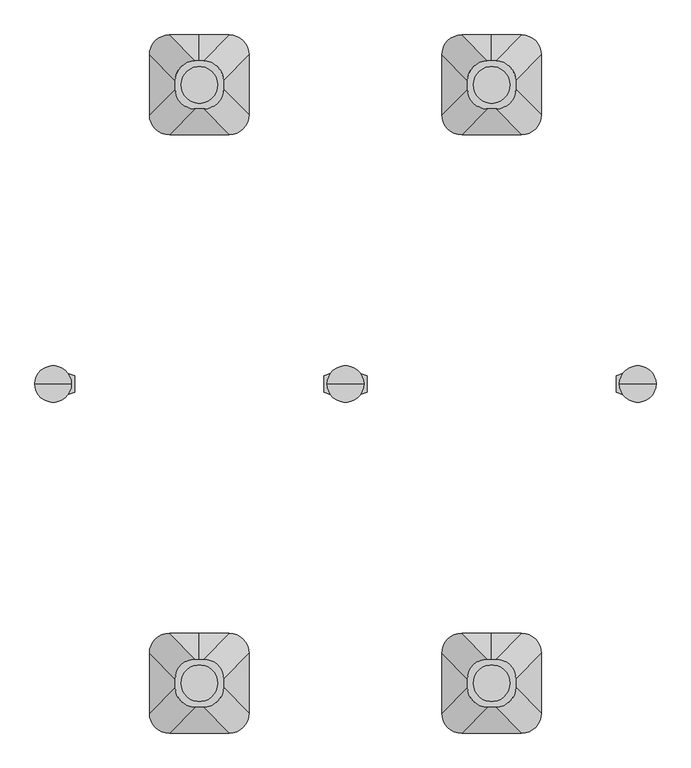
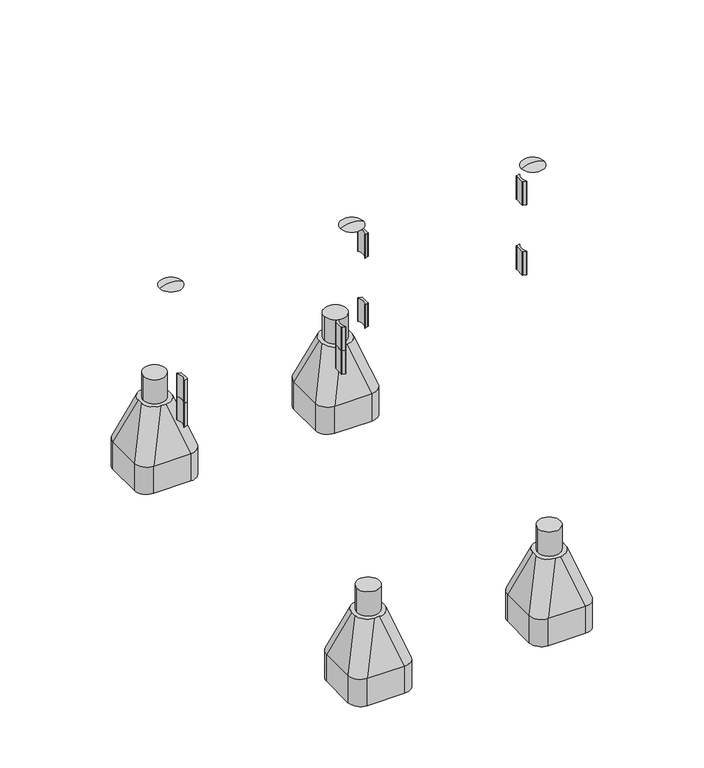
"""IFC4 building model written with IfcOpenShell, lengths in millimetres: furniture geometry."""

from ifc_helpers import new_model, si_unit, point, frame, frame_2d, origin, place, context, project, spatial, polyline, circle_curve, ellipse_curve, trimmed, segment, composite_curve, outline, extrude, source, transform, mapped, element, save
from ifc_brep_helpers import plane_surface, cylinder_surface, revolved_surface, extruded_surface, advanced_brep


def furniture_0c3ca0a5(model_context):
    return source(origin(), model_context, "Body", "SolidModel", [
        advanced_brep(
        [(785.5, -622.5400568, -225.0), (773.0, -622.5400568, -225.0), (760.5, -622.5400568, -225.0), (700.5, -682.5400568, -225.0), (700.5, -707.5400568, -225.0), (760.5, -767.5400568, -225.0), (785.5, -767.5400568, -225.0), (845.5, -707.5400568, -225.0), (845.5, -682.5400568, -225.0), (863.0, -545.0, -460.0), (773.0, -545.0, -460.0), (683.0, -545.0, -460.0), (623.0, -605.0, -460.0), (623.0, -785.0, -460.0), (683.0, -845.0, -460.0), (863.0, -845.0, -460.0), (923.0, -785.0, -460.0), (923.0, -605.0, -460.0), (863.0, -545.0, -600.0), (923.0, -605.0, -600.0), (923.0, -785.0, -600.0), (863.0, -845.0, -600.0), (683.0, -845.0, -600.0), (623.0, -785.0, -600.0), (623.0, -605.0, -600.0), (683.0, -545.0, -600.0), (773.0, -545.0, -600.0)],
        [
            (0, 1),
            (1, 2),
            (2, 3, circle_curve(frame((760.5, -682.5400568, -225.0), z_axis=(0.0, 0.0, 1.0), x_axis=(1.0, 0.0, 0.0)), 60.0)),
            (3, 4),
            (4, 5, circle_curve(frame((760.5, -707.5400568, -225.0), z_axis=(0.0, 0.0, 1.0), x_axis=(1.0, 0.0, 0.0)), 60.0)),
            (5, 6),
            (6, 7, circle_curve(frame((785.5, -707.5400568, -225.0), z_axis=(0.0, 0.0, 1.0), x_axis=(1.0, 0.0, 0.0)), 60.0)),
            (7, 8),
            (8, 0, circle_curve(frame((785.5, -682.5400568, -225.0), z_axis=(0.0, 0.0, 1.0), x_axis=(1.0, 0.0, 0.0)), 60.0)),
            (0, 9),
            (9, 10),
            (10, 1),
            (10, 11),
            (11, 2),
            (11, 12, circle_curve(frame((683.0, -605.0, -460.0), z_axis=(0.0, 0.0, 1.0), x_axis=(1.0, 0.0, 0.0)), 60.0)),
            (12, 3),
            (12, 13),
            (13, 4),
            (13, 14, circle_curve(frame((683.0, -785.0, -460.0), z_axis=(0.0, 0.0, 1.0), x_axis=(1.0, 0.0, 0.0)), 60.0)),
            (14, 5),
            (14, 15),
            (15, 6),
            (15, 16, circle_curve(frame((863.0, -785.0, -460.0), z_axis=(0.0, 0.0, 1.0), x_axis=(1.0, 0.0, 0.0)), 60.0)),
            (16, 7),
            (16, 17),
            (17, 8),
            (17, 9, circle_curve(frame((863.0, -605.0, -460.0), z_axis=(0.0, 0.0, 1.0), x_axis=(1.0, 0.0, 0.0)), 60.0)),
            (18, 19, circle_curve(frame((863.0, -605.0, -600.0), z_axis=(0.0, 0.0, -1.0), x_axis=(1.0, 0.0, 0.0)), 60.0)),
            (19, 20),
            (20, 21, circle_curve(frame((863.0, -785.0, -600.0), z_axis=(0.0, 0.0, -1.0), x_axis=(1.0, 0.0, 0.0)), 60.0)),
            (21, 22),
            (22, 23, circle_curve(frame((683.0, -785.0, -600.0), z_axis=(0.0, 0.0, -1.0), x_axis=(1.0, 0.0, 0.0)), 60.0)),
            (23, 24),
            (24, 25, circle_curve(frame((683.0, -605.0, -600.0), z_axis=(0.0, 0.0, -1.0), x_axis=(1.0, 0.0, 0.0)), 60.0)),
            (25, 26),
            (26, 18),
            (26, 10),
            (9, 18),
            (25, 11),
            (23, 13),
            (12, 24),
            (21, 15),
            (14, 22),
            (19, 17),
            (16, 20),
        ],
        [
            plane_surface(frame((773.0, -686.9845012, -225.0), z_axis=(0.0, 0.0, 1.0), x_axis=(-1.0, 0.0, 0.0))),
            plane_surface(frame((779.25, -622.5400568, -225.0), z_axis=(0.0, 0.9496406059136844, 0.3133412191204512), x_axis=(1.0, 0.0, 0.0))),
            plane_surface(frame((766.75, -622.5400568, -225.0), z_axis=(0.0, 0.9496406059136843, 0.3133412191204512), x_axis=(1.0, 0.0, 0.0))),
            extruded_surface(trimmed(circle_curve(frame((760.5, -682.5400568, -225.0), z_axis=(0.0, 0.0, -1.0), x_axis=(1.0, 0.0, 0.0)), 60.0), [point((700.5, -682.5400568, -225.0))], [point((760.5, -622.5400568, -225.0))], True, "CARTESIAN"), (-77.5, 77.5400568, -235.0), 259.3139225119763),
            plane_surface(frame((700.5, -695.0400568, -225.0), z_axis=(-0.9496887635303409, 0.0, 0.31319523052596476), x_axis=(0.0, 1.0, 0.0))),
            extruded_surface(trimmed(circle_curve(frame((760.5, -707.5400568, -225.0), z_axis=(0.0, 0.0, -1.0), x_axis=(1.0, 0.0, 0.0)), 60.0), [point((760.5, -767.5400568, -225.0))], [point((700.5, -707.5400568, -225.0))], True, "CARTESIAN"), (-77.5, -77.4599432, -235.0), 259.2899782107809),
            plane_surface(frame((773.0, -767.5400568, -225.0), z_axis=(0.0, -0.9497369035840961, 0.3130492197250991), x_axis=(-1.0, 0.0, 0.0))),
            extruded_surface(trimmed(circle_curve(frame((785.5, -707.5400568, -225.0), z_axis=(0.0, 0.0, -1.0), x_axis=(1.0, 0.0, 0.0)), 60.0), [point((845.5, -707.5400568, -225.0))], [point((785.5, -767.5400568, -225.0))], True, "CARTESIAN"), (77.5, -77.4599432, -235.0), 259.2899782107809),
            plane_surface(frame((845.5, -695.0400568, -225.0), z_axis=(0.9496887635303416, 0.0, 0.3131952305259627), x_axis=(0.0, -1.0, 0.0))),
            extruded_surface(trimmed(circle_curve(frame((785.5, -682.5400568, -225.0), z_axis=(0.0, 0.0, -1.0), x_axis=(1.0, 0.0, 0.0)), 60.0), [point((785.5, -622.5400568, -225.0))], [point((845.5, -682.5400568, -225.0))], True, "CARTESIAN"), (77.5, 77.5400568, -235.0), 259.3139225119763),
            plane_surface(frame((773.0, -545.0, -600.0), z_axis=(0.0, 0.0, -1.0), x_axis=(1.0, 0.0, 0.0))),
            plane_surface(frame((863.0, -545.0, -460.0), z_axis=(0.0, 1.0, 0.0), x_axis=(0.0, 0.0, -1.0))),
            plane_surface(frame((773.0, -545.0, -460.0), z_axis=(0.0, 1.0, 0.0), x_axis=(0.0, 0.0, -1.0))),
            plane_surface(frame((623.0, -605.0, -460.0), z_axis=(-1.0, 0.0, 0.0), x_axis=(0.0, 0.0, -1.0))),
            plane_surface(frame((683.0, -845.0, -460.0), z_axis=(0.0, -1.0, 0.0), x_axis=(0.0, 0.0, -1.0))),
            plane_surface(frame((923.0, -785.0, -460.0), z_axis=(1.0, 0.0, 0.0), x_axis=(0.0, 0.0, -1.0))),
            cylinder_surface(frame((683.0, -605.0, -600.0), z_axis=(0.0, 0.0, 1.0), x_axis=(1.0, 0.0, 0.0)), 60.0),
            cylinder_surface(frame((683.0, -785.0, -600.0), z_axis=(0.0, 0.0, 1.0), x_axis=(1.0, 0.0, 0.0)), 60.0),
            cylinder_surface(frame((863.0, -785.0, -600.0), z_axis=(0.0, 0.0, 1.0), x_axis=(1.0, 0.0, 0.0)), 60.0),
            cylinder_surface(frame((863.0, -605.0, -600.0), z_axis=(0.0, 0.0, 1.0), x_axis=(1.0, 0.0, 0.0)), 60.0),
        ],
        [
            (0, [[1, 2, 3, 4, 5, 6, 7, 8, 9]]),
            (1, [[-1, 10, 11, 12]]),
            (2, [[-2, -12, 13, 14]]),
            (3, [[-3, -14, 15, 16]]),
            (4, [[-4, -16, 17, 18]]),
            (5, [[-5, -18, 19, 20]]),
            (6, [[-6, -20, 21, 22]]),
            (7, [[-7, -22, 23, 24]]),
            (8, [[-8, -24, 25, 26]]),
            (9, [[-9, -26, 27, -10]]),
            (10, [[28, 29, 30, 31, 32, 33, 34, 35, 36]]),
            (11, [[-36, 37, -11, 38]]),
            (12, [[-35, 39, -13, -37]]),
            (13, [[-33, 40, -17, 41]]),
            (14, [[-31, 42, -21, 43]]),
            (15, [[-29, 44, -25, 45]]),
            (16, [[-34, -41, -15, -39]]),
            (17, [[-32, -43, -19, -40]]),
            (18, [[-30, -45, -23, -42]]),
            (19, [[-28, -38, -27, -44]]),
        ],
    ),
        extrude(outline(composite_curve([segment(trimmed(circle_curve(frame_2d((773.0, -695.0)), 55.0), [point((718.0, -695.0))], [point((828.0, -695.0))], False, "CARTESIAN"), True, "CONTINUOUS"), segment(trimmed(circle_curve(frame_2d((773.0, -695.0)), 55.0), [point((828.0, -695.0))], [point((718.0, -695.0))], False, "CARTESIAN"), True, "CONTINUOUS")], self_intersect=False)), frame((0.0, 0.0, -600.0), z_axis=(0.0, 0.0, 1.0), x_axis=(1.0, 0.0, 0.0)), (0.0, 0.0, 1.0), 500.0),
        advanced_brep(
        [(785.5, 1177.4599432, -225.0), (773.0, 1177.4599432, -225.0), (760.5, 1177.4599432, -225.0), (700.5, 1117.4599432, -225.0), (700.5, 1092.4599432, -225.0), (760.5, 1032.4599432, -225.0), (785.5, 1032.4599432, -225.0), (845.5, 1092.4599432, -225.0), (845.5, 1117.4599432, -225.0), (863.0, 1255.0, -460.0), (773.0, 1255.0, -460.0), (683.0, 1255.0, -460.0), (623.0, 1195.0, -460.0), (623.0, 1015.0, -460.0), (683.0, 955.0, -460.0), (863.0, 955.0, -460.0), (923.0, 1015.0, -460.0), (923.0, 1195.0, -460.0), (863.0, 1255.0, -600.0), (923.0, 1195.0, -600.0), (923.0, 1015.0, -600.0), (863.0, 955.0, -600.0), (683.0, 955.0, -600.0), (623.0, 1015.0, -600.0), (623.0, 1195.0, -600.0), (683.0, 1255.0, -600.0), (773.0, 1255.0, -600.0)],
        [
            (0, 1),
            (1, 2),
            (2, 3, circle_curve(frame((760.5, 1117.4599432, -225.0), z_axis=(0.0, 0.0, 1.0), x_axis=(1.0, 0.0, 0.0)), 60.0)),
            (3, 4),
            (4, 5, circle_curve(frame((760.5, 1092.4599432, -225.0), z_axis=(0.0, 0.0, 1.0), x_axis=(1.0, 0.0, 0.0)), 60.0)),
            (5, 6),
            (6, 7, circle_curve(frame((785.5, 1092.4599432, -225.0), z_axis=(0.0, 0.0, 1.0), x_axis=(1.0, 0.0, 0.0)), 60.0)),
            (7, 8),
            (8, 0, circle_curve(frame((785.5, 1117.4599432, -225.0), z_axis=(0.0, 0.0, 1.0), x_axis=(1.0, 0.0, 0.0)), 60.0)),
            (0, 9),
            (9, 10),
            (10, 1),
            (10, 11),
            (11, 2),
            (11, 12, circle_curve(frame((683.0, 1195.0, -460.0), z_axis=(0.0, 0.0, 1.0), x_axis=(1.0, 0.0, 0.0)), 60.0)),
            (12, 3),
            (12, 13),
            (13, 4),
            (13, 14, circle_curve(frame((683.0, 1015.0, -460.0), z_axis=(0.0, 0.0, 1.0), x_axis=(1.0, 0.0, 0.0)), 60.0)),
            (14, 5),
            (14, 15),
            (15, 6),
            (15, 16, circle_curve(frame((863.0, 1015.0, -460.0), z_axis=(0.0, 0.0, 1.0), x_axis=(1.0, 0.0, 0.0)), 60.0)),
            (16, 7),
            (16, 17),
            (17, 8),
            (17, 9, circle_curve(frame((863.0, 1195.0, -460.0), z_axis=(0.0, 0.0, 1.0), x_axis=(1.0, 0.0, 0.0)), 60.0)),
            (18, 19, circle_curve(frame((863.0, 1195.0, -600.0), z_axis=(0.0, 0.0, -1.0), x_axis=(1.0, 0.0, 0.0)), 60.0)),
            (19, 20),
            (20, 21, circle_curve(frame((863.0, 1015.0, -600.0), z_axis=(0.0, 0.0, -1.0), x_axis=(1.0, 0.0, 0.0)), 60.0)),
            (21, 22),
            (22, 23, circle_curve(frame((683.0, 1015.0, -600.0), z_axis=(0.0, 0.0, -1.0), x_axis=(1.0, 0.0, 0.0)), 60.0)),
            (23, 24),
            (24, 25, circle_curve(frame((683.0, 1195.0, -600.0), z_axis=(0.0, 0.0, -1.0), x_axis=(1.0, 0.0, 0.0)), 60.0)),
            (25, 26),
            (26, 18),
            (26, 10),
            (9, 18),
            (25, 11),
            (23, 13),
            (12, 24),
            (21, 15),
            (14, 22),
            (19, 17),
            (16, 20),
        ],
        [
            plane_surface(frame((773.0, 1113.0154988, -225.0), z_axis=(0.0, 0.0, 1.0), x_axis=(-1.0, 0.0, 0.0))),
            plane_surface(frame((779.25, 1177.4599432, -225.0), z_axis=(0.0, 0.9496406059136844, 0.3133412191204512), x_axis=(1.0, 0.0, 0.0))),
            plane_surface(frame((766.75, 1177.4599432, -225.0), z_axis=(0.0, 0.9496406059136843, 0.3133412191204512), x_axis=(1.0, 0.0, 0.0))),
            extruded_surface(trimmed(circle_curve(frame((760.5, 1117.4599432, -225.0), z_axis=(0.0, 0.0, -1.0), x_axis=(1.0, 0.0, 0.0)), 60.0), [point((700.5, 1117.4599432, -225.0))], [point((760.5, 1177.4599432, -225.0))], True, "CARTESIAN"), (-77.5, 77.5400568, -235.0), 259.3139225119763),
            plane_surface(frame((700.5, 1104.9599432, -225.0), z_axis=(-0.9496887635303409, 0.0, 0.31319523052596476), x_axis=(0.0, 1.0, 0.0))),
            extruded_surface(trimmed(circle_curve(frame((760.5, 1092.4599432, -225.0), z_axis=(0.0, 0.0, -1.0), x_axis=(1.0, 0.0, 0.0)), 60.0), [point((760.5, 1032.4599432, -225.0))], [point((700.5, 1092.4599432, -225.0))], True, "CARTESIAN"), (-77.5, -77.4599432, -235.0), 259.2899782107809),
            plane_surface(frame((773.0, 1032.4599432, -225.0), z_axis=(0.0, -0.9497369035840961, 0.3130492197250991), x_axis=(-1.0, 0.0, 0.0))),
            extruded_surface(trimmed(circle_curve(frame((785.5, 1092.4599432, -225.0), z_axis=(0.0, 0.0, -1.0), x_axis=(1.0, 0.0, 0.0)), 60.0), [point((845.5, 1092.4599432, -225.0))], [point((785.5, 1032.4599432, -225.0))], True, "CARTESIAN"), (77.5, -77.4599432, -235.0), 259.2899782107809),
            plane_surface(frame((845.5, 1104.9599432, -225.0), z_axis=(0.9496887635303416, 0.0, 0.3131952305259627), x_axis=(0.0, -1.0, 0.0))),
            extruded_surface(trimmed(circle_curve(frame((785.5, 1117.4599432, -225.0), z_axis=(0.0, 0.0, -1.0), x_axis=(1.0, 0.0, 0.0)), 60.0), [point((785.5, 1177.4599432, -225.0))], [point((845.5, 1117.4599432, -225.0))], True, "CARTESIAN"), (77.5, 77.5400568, -235.0), 259.3139225119763),
            plane_surface(frame((773.0, 1255.0, -600.0), z_axis=(0.0, 0.0, -1.0), x_axis=(1.0, 0.0, 0.0))),
            plane_surface(frame((863.0, 1255.0, -460.0), z_axis=(0.0, 1.0, 0.0), x_axis=(0.0, 0.0, -1.0))),
            plane_surface(frame((773.0, 1255.0, -460.0), z_axis=(0.0, 1.0, 0.0), x_axis=(0.0, 0.0, -1.0))),
            plane_surface(frame((623.0, 1195.0, -460.0), z_axis=(-1.0, 0.0, 0.0), x_axis=(0.0, 0.0, -1.0))),
            plane_surface(frame((683.0, 955.0, -460.0), z_axis=(0.0, -1.0, 0.0), x_axis=(0.0, 0.0, -1.0))),
            plane_surface(frame((923.0, 1015.0, -460.0), z_axis=(1.0, 0.0, 0.0), x_axis=(0.0, 0.0, -1.0))),
            cylinder_surface(frame((683.0, 1195.0, -600.0), z_axis=(0.0, 0.0, 1.0), x_axis=(1.0, 0.0, 0.0)), 60.0),
            cylinder_surface(frame((683.0, 1015.0, -600.0), z_axis=(0.0, 0.0, 1.0), x_axis=(1.0, 0.0, 0.0)), 60.0),
            cylinder_surface(frame((863.0, 1015.0, -600.0), z_axis=(0.0, 0.0, 1.0), x_axis=(1.0, 0.0, 0.0)), 60.0),
            cylinder_surface(frame((863.0, 1195.0, -600.0), z_axis=(0.0, 0.0, 1.0), x_axis=(1.0, 0.0, 0.0)), 60.0),
        ],
        [
            (0, [[1, 2, 3, 4, 5, 6, 7, 8, 9]]),
            (1, [[-1, 10, 11, 12]]),
            (2, [[-2, -12, 13, 14]]),
            (3, [[-3, -14, 15, 16]]),
            (4, [[-4, -16, 17, 18]]),
            (5, [[-5, -18, 19, 20]]),
            (6, [[-6, -20, 21, 22]]),
            (7, [[-7, -22, 23, 24]]),
            (8, [[-8, -24, 25, 26]]),
            (9, [[-9, -26, 27, -10]]),
            (10, [[28, 29, 30, 31, 32, 33, 34, 35, 36]]),
            (11, [[-36, 37, -11, 38]]),
            (12, [[-35, 39, -13, -37]]),
            (13, [[-33, 40, -17, 41]]),
            (14, [[-31, 42, -21, 43]]),
            (15, [[-29, 44, -25, 45]]),
            (16, [[-34, -41, -15, -39]]),
            (17, [[-32, -43, -19, -40]]),
            (18, [[-30, -45, -23, -42]]),
            (19, [[-28, -38, -27, -44]]),
        ],
    ),
        extrude(outline(composite_curve([segment(trimmed(circle_curve(frame_2d((773.0, 1105.0)), 55.0), [point((718.0, 1105.0))], [point((828.0, 1105.0))], False, "CARTESIAN"), True, "CONTINUOUS"), segment(trimmed(circle_curve(frame_2d((773.0, 1105.0)), 55.0), [point((828.0, 1105.0))], [point((718.0, 1105.0))], False, "CARTESIAN"), True, "CONTINUOUS")], self_intersect=False)), frame((0.0, 0.0, -600.0), z_axis=(0.0, 0.0, 1.0), x_axis=(1.0, 0.0, 0.0)), (0.0, 0.0, 1.0), 500.0),
        extrude(outline(composite_curve([segment(trimmed(circle_curve(frame_2d((1165.910865, 174.6300052)), 1.0), [point((1166.7510362, 175.1723266))], [point((1165.5688449, 173.6903126))], False, "CARTESIAN"), True, "CONTINUOUS"), segment(polyline([(1165.5688449, 173.6903126), (1148.891096, 179.7605168)]), True, "CONTINUOUS"), segment(trimmed(circle_curve(frame_2d((1149.2331161, 180.7002094)), 1.0), [point((1148.891096, 179.7605168))], [point((1148.2331161, 180.7002094))], False, "CARTESIAN"), True, "CONTINUOUS"), segment(polyline([(1148.2331161, 180.7002094), (1148.2331161, 229.2997943)]), True, "CONTINUOUS"), segment(trimmed(circle_curve(frame_2d((1149.2331161, 229.2997943)), 1.0), [point((1148.2331161, 229.2997943))], [point((1148.891096, 230.2394869))], False, "CARTESIAN"), True, "CONTINUOUS"), segment(polyline([(1148.891096, 230.2394869), (1165.5688449, 236.3096911)]), True, "CONTINUOUS"), segment(trimmed(circle_curve(frame_2d((1165.910865, 235.3699985)), 1.0), [point((1165.5688449, 236.3096911))], [point((1166.7510362, 234.8276771))], False, "CARTESIAN"), True, "CONTINUOUS"), segment(trimmed(circle_curve(frame_2d((1212.9604485, 205.0000019)), 55.0), [point((1166.7510362, 234.8276771))], [point((1166.7510362, 175.1723266))], True, "CARTESIAN"), True, "CONTINUOUS")], self_intersect=False)), frame((0.0, 0.0, 880.0), z_axis=(0.0, 0.0, 1.0), x_axis=(1.0, 0.0, 0.0)), (0.0, 0.0, 1.0), 120.0),
        extrude(outline(composite_curve([segment(trimmed(circle_curve(frame_2d((380.0829933, 235.3699948)), 1.0), [point((379.2428222, 234.8276734))], [point((380.4250134, 236.3096874))], False, "CARTESIAN"), True, "CONTINUOUS"), segment(polyline([(380.4250134, 236.3096874), (397.1027623, 230.2394832)]), True, "CONTINUOUS"), segment(trimmed(circle_curve(frame_2d((396.7607422, 229.2997906)), 1.0), [point((397.1027623, 230.2394832))], [point((397.7607422, 229.2997906))], False, "CARTESIAN"), True, "CONTINUOUS"), segment(polyline([(397.7607422, 229.2997906), (397.7607422, 180.7002057)]), True, "CONTINUOUS"), segment(trimmed(circle_curve(frame_2d((396.7607422, 180.7002057)), 1.0), [point((397.7607422, 180.7002057))], [point((397.1027623, 179.7605131))], False, "CARTESIAN"), True, "CONTINUOUS"), segment(polyline([(397.1027623, 179.7605131), (380.4250134, 173.6903089)]), True, "CONTINUOUS"), segment(trimmed(circle_curve(frame_2d((380.0829933, 174.6300015)), 1.0), [point((380.4250134, 173.6903089))], [point((379.2428222, 175.1723229))], False, "CARTESIAN"), True, "CONTINUOUS"), segment(trimmed(circle_curve(frame_2d((333.0334098, 204.9999981)), 55.0), [point((379.2428222, 175.1723229))], [point((379.2428222, 234.8276734))], True, "CARTESIAN"), True, "CONTINUOUS")], self_intersect=False)), frame((0.0, 0.0, 880.0), z_axis=(0.0, 0.0, 1.0), x_axis=(1.0, 0.0, 0.0)), (0.0, 0.0, 1.0), 120.0),
        extrude(outline(composite_curve([segment(trimmed(circle_curve(frame_2d((285.9273401, 174.6300052)), 1.0), [point((286.7675113, 175.1723266))], [point((285.58532, 173.6903126))], False, "CARTESIAN"), True, "CONTINUOUS"), segment(polyline([(285.58532, 173.6903126), (268.9075711, 179.7605168)]), True, "CONTINUOUS"), segment(trimmed(circle_curve(frame_2d((269.2495912, 180.7002094)), 1.0), [point((268.9075711, 179.7605168))], [point((268.2495912, 180.7002094))], False, "CARTESIAN"), True, "CONTINUOUS"), segment(polyline([(268.2495912, 180.7002094), (268.2495912, 229.2997943)]), True, "CONTINUOUS"), segment(trimmed(circle_curve(frame_2d((269.2495912, 229.2997943)), 1.0), [point((268.2495912, 229.2997943))], [point((268.9075711, 230.2394869))], False, "CARTESIAN"), True, "CONTINUOUS"), segment(polyline([(268.9075711, 230.2394869), (285.58532, 236.3096911)]), True, "CONTINUOUS"), segment(trimmed(circle_curve(frame_2d((285.9273401, 235.3699985)), 1.0), [point((285.58532, 236.3096911))], [point((286.7675113, 234.8276771))], False, "CARTESIAN"), True, "CONTINUOUS"), segment(trimmed(circle_curve(frame_2d((332.9769236, 205.0000019)), 55.0), [point((286.7675113, 234.8276771))], [point((286.7675113, 175.1723266))], True, "CARTESIAN"), True, "CONTINUOUS")], self_intersect=False)), frame((0.0, 0.0, 320.0), z_axis=(0.0, 0.0, 1.0), x_axis=(1.0, 0.0, 0.0)), (0.0, 0.0, 1.0), 120.0),
        extrude(outline(composite_curve([segment(trimmed(circle_curve(frame_2d((-499.8941457, 235.3699948)), 1.0), [point((-500.7343168, 234.8276734))], [point((-499.5521255, 236.3096874))], False, "CARTESIAN"), True, "CONTINUOUS"), segment(polyline([(-499.5521255, 236.3096874), (-482.8743766, 230.2394832)]), True, "CONTINUOUS"), segment(trimmed(circle_curve(frame_2d((-483.2163968, 229.2997906)), 1.0), [point((-482.8743766, 230.2394832))], [point((-482.2163968, 229.2997906))], False, "CARTESIAN"), True, "CONTINUOUS"), segment(polyline([(-482.2163968, 229.2997906), (-482.2163968, 180.7002057)]), True, "CONTINUOUS"), segment(trimmed(circle_curve(frame_2d((-483.2163968, 180.7002057)), 1.0), [point((-482.2163968, 180.7002057))], [point((-482.8743766, 179.7605131))], False, "CARTESIAN"), True, "CONTINUOUS"), segment(polyline([(-482.8743766, 179.7605131), (-499.5521255, 173.6903089)]), True, "CONTINUOUS"), segment(trimmed(circle_curve(frame_2d((-499.8941457, 174.6300015)), 1.0), [point((-499.5521255, 173.6903089))], [point((-500.7343168, 175.1723229))], False, "CARTESIAN"), True, "CONTINUOUS"), segment(trimmed(circle_curve(frame_2d((-546.9437292, 204.9999981)), 55.0), [point((-500.7343168, 175.1723229))], [point((-500.7343168, 234.8276734))], True, "CARTESIAN"), True, "CONTINUOUS")], self_intersect=False)), frame((0.0, 0.0, 320.0), z_axis=(0.0, 0.0, 1.0), x_axis=(1.0, 0.0, 0.0)), (0.0, 0.0, 1.0), 120.0),
        extrude(outline(composite_curve([segment(trimmed(circle_curve(frame_2d((1165.910865, 174.6300052)), 1.0), [point((1166.7510362, 175.1723266))], [point((1165.5688449, 173.6903126))], False, "CARTESIAN"), True, "CONTINUOUS"), segment(polyline([(1165.5688449, 173.6903126), (1148.891096, 179.7605168)]), True, "CONTINUOUS"), segment(trimmed(circle_curve(frame_2d((1149.2331161, 180.7002094)), 1.0), [point((1148.891096, 179.7605168))], [point((1148.2331161, 180.7002094))], False, "CARTESIAN"), True, "CONTINUOUS"), segment(polyline([(1148.2331161, 180.7002094), (1148.2331161, 229.2997943)]), True, "CONTINUOUS"), segment(trimmed(circle_curve(frame_2d((1149.2331161, 229.2997943)), 1.0), [point((1148.2331161, 229.2997943))], [point((1148.891096, 230.2394869))], False, "CARTESIAN"), True, "CONTINUOUS"), segment(polyline([(1148.891096, 230.2394869), (1165.5688449, 236.3096911)]), True, "CONTINUOUS"), segment(trimmed(circle_curve(frame_2d((1165.910865, 235.3699985)), 1.0), [point((1165.5688449, 236.3096911))], [point((1166.7510362, 234.8276771))], False, "CARTESIAN"), True, "CONTINUOUS"), segment(trimmed(circle_curve(frame_2d((1212.9604485, 205.0000019)), 55.0), [point((1166.7510362, 234.8276771))], [point((1166.7510362, 175.1723266))], True, "CARTESIAN"), True, "CONTINUOUS")], self_intersect=False)), frame((0.0, 0.0, 520.0), z_axis=(0.0, 0.0, 1.0), x_axis=(1.0, 0.0, 0.0)), (0.0, 0.0, 1.0), 120.0),
        extrude(outline(composite_curve([segment(trimmed(circle_curve(frame_2d((380.0829933, 235.3699948)), 1.0), [point((379.2428222, 234.8276734))], [point((380.4250134, 236.3096874))], False, "CARTESIAN"), True, "CONTINUOUS"), segment(polyline([(380.4250134, 236.3096874), (397.1027623, 230.2394832)]), True, "CONTINUOUS"), segment(trimmed(circle_curve(frame_2d((396.7607422, 229.2997906)), 1.0), [point((397.1027623, 230.2394832))], [point((397.7607422, 229.2997906))], False, "CARTESIAN"), True, "CONTINUOUS"), segment(polyline([(397.7607422, 229.2997906), (397.7607422, 180.7002057)]), True, "CONTINUOUS"), segment(trimmed(circle_curve(frame_2d((396.7607422, 180.7002057)), 1.0), [point((397.7607422, 180.7002057))], [point((397.1027623, 179.7605131))], False, "CARTESIAN"), True, "CONTINUOUS"), segment(polyline([(397.1027623, 179.7605131), (380.4250134, 173.6903089)]), True, "CONTINUOUS"), segment(trimmed(circle_curve(frame_2d((380.0829933, 174.6300015)), 1.0), [point((380.4250134, 173.6903089))], [point((379.2428222, 175.1723229))], False, "CARTESIAN"), True, "CONTINUOUS"), segment(trimmed(circle_curve(frame_2d((333.0334098, 204.9999981)), 55.0), [point((379.2428222, 175.1723229))], [point((379.2428222, 234.8276734))], True, "CARTESIAN"), True, "CONTINUOUS")], self_intersect=False)), frame((0.0, 0.0, 520.0), z_axis=(0.0, 0.0, 1.0), x_axis=(1.0, 0.0, 0.0)), (0.0, 0.0, 1.0), 120.0),
        extrude(outline(composite_curve([segment(trimmed(circle_curve(frame_2d((285.9273401, 174.6300052)), 1.0), [point((286.7675113, 175.1723266))], [point((285.58532, 173.6903126))], False, "CARTESIAN"), True, "CONTINUOUS"), segment(polyline([(285.58532, 173.6903126), (268.9075711, 179.7605168)]), True, "CONTINUOUS"), segment(trimmed(circle_curve(frame_2d((269.2495912, 180.7002094)), 1.0), [point((268.9075711, 179.7605168))], [point((268.2495912, 180.7002094))], False, "CARTESIAN"), True, "CONTINUOUS"), segment(polyline([(268.2495912, 180.7002094), (268.2495912, 229.2997943)]), True, "CONTINUOUS"), segment(trimmed(circle_curve(frame_2d((269.2495912, 229.2997943)), 1.0), [point((268.2495912, 229.2997943))], [point((268.9075711, 230.2394869))], False, "CARTESIAN"), True, "CONTINUOUS"), segment(polyline([(268.9075711, 230.2394869), (285.58532, 236.3096911)]), True, "CONTINUOUS"), segment(trimmed(circle_curve(frame_2d((285.9273401, 235.3699985)), 1.0), [point((285.58532, 236.3096911))], [point((286.7675113, 234.8276771))], False, "CARTESIAN"), True, "CONTINUOUS"), segment(trimmed(circle_curve(frame_2d((332.9769236, 205.0000019)), 55.0), [point((286.7675113, 234.8276771))], [point((286.7675113, 175.1723266))], True, "CARTESIAN"), True, "CONTINUOUS")], self_intersect=False)), frame((0.0, 0.0, 440.0), z_axis=(0.0, 0.0, 1.0), x_axis=(1.0, 0.0, 0.0)), (0.0, 0.0, 1.0), 120.0),
        extrude(outline(composite_curve([segment(trimmed(circle_curve(frame_2d((-499.8941457, 235.3699948)), 1.0), [point((-500.7343168, 234.8276734))], [point((-499.5521255, 236.3096874))], False, "CARTESIAN"), True, "CONTINUOUS"), segment(polyline([(-499.5521255, 236.3096874), (-482.8743766, 230.2394832)]), True, "CONTINUOUS"), segment(trimmed(circle_curve(frame_2d((-483.2163968, 229.2997906)), 1.0), [point((-482.8743766, 230.2394832))], [point((-482.2163968, 229.2997906))], False, "CARTESIAN"), True, "CONTINUOUS"), segment(polyline([(-482.2163968, 229.2997906), (-482.2163968, 180.7002057)]), True, "CONTINUOUS"), segment(trimmed(circle_curve(frame_2d((-483.2163968, 180.7002057)), 1.0), [point((-482.2163968, 180.7002057))], [point((-482.8743766, 179.7605131))], False, "CARTESIAN"), True, "CONTINUOUS"), segment(polyline([(-482.8743766, 179.7605131), (-499.5521255, 173.6903089)]), True, "CONTINUOUS"), segment(trimmed(circle_curve(frame_2d((-499.8941457, 174.6300015)), 1.0), [point((-499.5521255, 173.6903089))], [point((-500.7343168, 175.1723229))], False, "CARTESIAN"), True, "CONTINUOUS"), segment(trimmed(circle_curve(frame_2d((-546.9437292, 204.9999981)), 55.0), [point((-500.7343168, 175.1723229))], [point((-500.7343168, 234.8276734))], True, "CARTESIAN"), True, "CONTINUOUS")], self_intersect=False)), frame((0.0, 0.0, 440.0), z_axis=(0.0, 0.0, 1.0), x_axis=(1.0, 0.0, 0.0)), (0.0, 0.0, 1.0), 120.0),
        advanced_brep(
        [(388.0, 205.0, 1050.0), (278.0, 205.0, 1050.0), (333.0, 205.0, 1062.0246565), (333.0, 205.0, 1050.0)],
        [
            (0, 1, circle_curve(frame((333.0, 205.0, 1050.0), z_axis=(0.0, 0.0, 1.0), x_axis=(-1.0, 0.0, 0.0)), 55.0)),
            (1, 2, circle_curve(frame((328.4549856, 205.0, 951.0177111), z_axis=(0.0, 1.0, 0.0), x_axis=(-1.0, 0.0, 0.0)), 111.0999509)),
            (2, 0, circle_curve(frame((337.5450144, 205.0, 951.0177111), z_axis=(0.0, 1.0, 0.0), x_axis=(1.0, 0.0, 0.0)), 111.0999509)),
            (1, 0, circle_curve(frame((333.0, 205.0, 1050.0), z_axis=(0.0, 0.0, 1.0), x_axis=(-1.0, 0.0, 0.0)), 55.0)),
            (3, 1),
            (0, 3),
        ],
        [
            revolved_surface(trimmed(ellipse_curve(frame((328.4549856, 205.0, 951.0177111), z_axis=(0.0, -1.0, 0.0), x_axis=(-1.0, 0.0, 0.0)), 111.0999509, 111.0999509), [point((333.0, 205.0, 1062.0246565))], [point((278.0, 205.0, 1050.0))], True, "CARTESIAN"), (333.0, 205.0, 669.0), (0.0, 0.0, -1.0)),
            plane_surface(frame((333.0, 205.0, 1050.0), z_axis=(0.0, 0.0, -1.0), x_axis=(-1.0, 0.0, 0.0))),
        ],
        [
            (0, [[1, 2, 3]]),
            (0, [[4, -3, -2]]),
            (1, [[5, -1, 6]]),
            (1, [[-6, -4, -5]]),
        ],
    ),
        advanced_brep(
        [(1268.0, 205.0, 1050.0), (1158.0, 205.0, 1050.0), (1213.0, 205.0, 1062.0246565), (1213.0, 205.0, 1050.0)],
        [
            (0, 1, circle_curve(frame((1213.0, 205.0, 1050.0), z_axis=(0.0, 0.0, 1.0), x_axis=(-1.0, 0.0, 0.0)), 55.0)),
            (1, 2, circle_curve(frame((1208.4549856, 205.0, 951.0177111), z_axis=(0.0, 1.0, 0.0), x_axis=(-1.0, 0.0, 0.0)), 111.0999509)),
            (2, 0, circle_curve(frame((1217.5450144, 205.0, 951.0177111), z_axis=(0.0, 1.0, 0.0), x_axis=(1.0, 0.0, 0.0)), 111.0999509)),
            (1, 0, circle_curve(frame((1213.0, 205.0, 1050.0), z_axis=(0.0, 0.0, 1.0), x_axis=(-1.0, 0.0, 0.0)), 55.0)),
            (3, 1),
            (0, 3),
        ],
        [
            revolved_surface(trimmed(ellipse_curve(frame((1208.4549856, 205.0, 951.0177111), z_axis=(0.0, -1.0, 0.0), x_axis=(-1.0, 0.0, 0.0)), 111.0999509, 111.0999509), [point((1213.0, 205.0, 1062.0246565))], [point((1158.0, 205.0, 1050.0))], True, "CARTESIAN"), (1213.0, 205.0, 669.0), (0.0, 0.0, -1.0)),
            plane_surface(frame((1213.0, 205.0, 1050.0), z_axis=(0.0, 0.0, -1.0), x_axis=(-1.0, 0.0, 0.0))),
        ],
        [
            (0, [[1, 2, 3]]),
            (0, [[4, -3, -2]]),
            (1, [[5, -1, 6]]),
            (1, [[-6, -4, -5]]),
        ],
    ),
        advanced_brep(
        [(-492.0, 205.0, 1050.0), (-602.0, 205.0, 1050.0), (-547.0, 205.0, 1062.0246565), (-547.0, 205.0, 1050.0)],
        [
            (0, 1, circle_curve(frame((-547.0, 205.0, 1050.0), z_axis=(0.0, 0.0, 1.0), x_axis=(-1.0, 0.0, 0.0)), 55.0)),
            (1, 2, circle_curve(frame((-551.5450144, 205.0, 951.0177111), z_axis=(0.0, 1.0, 0.0), x_axis=(-1.0, 0.0, 0.0)), 111.0999509)),
            (2, 0, circle_curve(frame((-542.4549856, 205.0, 951.0177111), z_axis=(0.0, 1.0, 0.0), x_axis=(1.0, 0.0, 0.0)), 111.0999509)),
            (1, 0, circle_curve(frame((-547.0, 205.0, 1050.0), z_axis=(0.0, 0.0, 1.0), x_axis=(-1.0, 0.0, 0.0)), 55.0)),
            (3, 1),
            (0, 3),
        ],
        [
            revolved_surface(trimmed(ellipse_curve(frame((-551.5450144, 205.0, 951.0177111), z_axis=(0.0, -1.0, 0.0), x_axis=(-1.0, 0.0, 0.0)), 111.0999509, 111.0999509), [point((-547.0, 205.0, 1062.0246565))], [point((-602.0, 205.0, 1050.0))], True, "CARTESIAN"), (-547.0, 205.0, 669.0), (0.0, 0.0, -1.0)),
            plane_surface(frame((-547.0, 205.0, 1050.0), z_axis=(0.0, 0.0, -1.0), x_axis=(-1.0, 0.0, 0.0))),
        ],
        [
            (0, [[1, 2, 3]]),
            (0, [[4, -3, -2]]),
            (1, [[5, -1, 6]]),
            (1, [[-6, -4, -5]]),
        ],
    ),
        advanced_brep(
        [(-94.5, -622.5400568, -225.0), (-107.0, -622.5400568, -225.0), (-119.5, -622.5400568, -225.0), (-179.5, -682.5400568, -225.0), (-179.5, -707.5400568, -225.0), (-119.5, -767.5400568, -225.0), (-94.5, -767.5400568, -225.0), (-34.5, -707.5400568, -225.0), (-34.5, -682.5400568, -225.0), (-17.0, -545.0, -460.0), (-107.0, -545.0, -460.0), (-197.0, -545.0, -460.0), (-257.0, -605.0, -460.0), (-257.0, -785.0, -460.0), (-197.0, -845.0, -460.0), (-17.0, -845.0, -460.0), (43.0, -785.0, -460.0), (43.0, -605.0, -460.0), (-17.0, -545.0, -600.0), (43.0, -605.0, -600.0), (43.0, -785.0, -600.0), (-17.0, -845.0, -600.0), (-197.0, -845.0, -600.0), (-257.0, -785.0, -600.0), (-257.0, -605.0, -600.0), (-197.0, -545.0, -600.0), (-107.0, -545.0, -600.0)],
        [
            (0, 1),
            (1, 2),
            (2, 3, circle_curve(frame((-119.5, -682.5400568, -225.0), z_axis=(0.0, 0.0, 1.0), x_axis=(1.0, 0.0, 0.0)), 60.0)),
            (3, 4),
            (4, 5, circle_curve(frame((-119.5, -707.5400568, -225.0), z_axis=(0.0, 0.0, 1.0), x_axis=(1.0, 0.0, 0.0)), 60.0)),
            (5, 6),
            (6, 7, circle_curve(frame((-94.5, -707.5400568, -225.0), z_axis=(0.0, 0.0, 1.0), x_axis=(1.0, 0.0, 0.0)), 60.0)),
            (7, 8),
            (8, 0, circle_curve(frame((-94.5, -682.5400568, -225.0), z_axis=(0.0, 0.0, 1.0), x_axis=(1.0, 0.0, 0.0)), 60.0)),
            (0, 9),
            (9, 10),
            (10, 1),
            (10, 11),
            (11, 2),
            (11, 12, circle_curve(frame((-197.0, -605.0, -460.0), z_axis=(0.0, 0.0, 1.0), x_axis=(1.0, 0.0, 0.0)), 60.0)),
            (12, 3),
            (12, 13),
            (13, 4),
            (13, 14, circle_curve(frame((-197.0, -785.0, -460.0), z_axis=(0.0, 0.0, 1.0), x_axis=(1.0, 0.0, 0.0)), 60.0)),
            (14, 5),
            (14, 15),
            (15, 6),
            (15, 16, circle_curve(frame((-17.0, -785.0, -460.0), z_axis=(0.0, 0.0, 1.0), x_axis=(1.0, 0.0, 0.0)), 60.0)),
            (16, 7),
            (16, 17),
            (17, 8),
            (17, 9, circle_curve(frame((-17.0, -605.0, -460.0), z_axis=(0.0, 0.0, 1.0), x_axis=(1.0, 0.0, 0.0)), 60.0)),
            (18, 19, circle_curve(frame((-17.0, -605.0, -600.0), z_axis=(0.0, 0.0, -1.0), x_axis=(1.0, 0.0, 0.0)), 60.0)),
            (19, 20),
            (20, 21, circle_curve(frame((-17.0, -785.0, -600.0), z_axis=(0.0, 0.0, -1.0), x_axis=(1.0, 0.0, 0.0)), 60.0)),
            (21, 22),
            (22, 23, circle_curve(frame((-197.0, -785.0, -600.0), z_axis=(0.0, 0.0, -1.0), x_axis=(1.0, 0.0, 0.0)), 60.0)),
            (23, 24),
            (24, 25, circle_curve(frame((-197.0, -605.0, -600.0), z_axis=(0.0, 0.0, -1.0), x_axis=(1.0, 0.0, 0.0)), 60.0)),
            (25, 26),
            (26, 18),
            (26, 10),
            (9, 18),
            (25, 11),
            (23, 13),
            (12, 24),
            (21, 15),
            (14, 22),
            (19, 17),
            (16, 20),
        ],
        [
            plane_surface(frame((-107.0, -686.9845012, -225.0), z_axis=(0.0, 0.0, 1.0), x_axis=(-1.0, 0.0, 0.0))),
            plane_surface(frame((-100.75, -622.5400568, -225.0), z_axis=(0.0, 0.9496406059136844, 0.3133412191204512), x_axis=(1.0, 0.0, 0.0))),
            plane_surface(frame((-113.25, -622.5400568, -225.0), z_axis=(0.0, 0.9496406059136843, 0.3133412191204512), x_axis=(1.0, 0.0, 0.0))),
            extruded_surface(trimmed(circle_curve(frame((-119.5, -682.5400568, -225.0), z_axis=(0.0, 0.0, -1.0), x_axis=(1.0, 0.0, 0.0)), 60.0), [point((-179.5, -682.5400568, -225.0))], [point((-119.5, -622.5400568, -225.0))], True, "CARTESIAN"), (-77.5, 77.5400568, -235.0), 259.3139225119763),
            plane_surface(frame((-179.5, -695.0400568, -225.0), z_axis=(-0.9496887635303409, 0.0, 0.31319523052596476), x_axis=(0.0, 1.0, 0.0))),
            extruded_surface(trimmed(circle_curve(frame((-119.5, -707.5400568, -225.0), z_axis=(0.0, 0.0, -1.0), x_axis=(1.0, 0.0, 0.0)), 60.0), [point((-119.5, -767.5400568, -225.0))], [point((-179.5, -707.5400568, -225.0))], True, "CARTESIAN"), (-77.5, -77.4599432, -235.0), 259.2899782107809),
            plane_surface(frame((-107.0, -767.5400568, -225.0), z_axis=(0.0, -0.9497369035840961, 0.3130492197250991), x_axis=(-1.0, 0.0, 0.0))),
            extruded_surface(trimmed(circle_curve(frame((-94.5, -707.5400568, -225.0), z_axis=(0.0, 0.0, -1.0), x_axis=(1.0, 0.0, 0.0)), 60.0), [point((-34.5, -707.5400568, -225.0))], [point((-94.5, -767.5400568, -225.0))], True, "CARTESIAN"), (77.5, -77.4599432, -235.0), 259.2899782107809),
            plane_surface(frame((-34.5, -695.0400568, -225.0), z_axis=(0.9496887635303416, 0.0, 0.3131952305259627), x_axis=(0.0, -1.0, 0.0))),
            extruded_surface(trimmed(circle_curve(frame((-94.5, -682.5400568, -225.0), z_axis=(0.0, 0.0, -1.0), x_axis=(1.0, 0.0, 0.0)), 60.0), [point((-94.5, -622.5400568, -225.0))], [point((-34.5, -682.5400568, -225.0))], True, "CARTESIAN"), (77.5, 77.5400568, -235.0), 259.3139225119763),
            plane_surface(frame((-107.0, -545.0, -600.0), z_axis=(0.0, 0.0, -1.0), x_axis=(1.0, 0.0, 0.0))),
            plane_surface(frame((-17.0, -545.0, -460.0), z_axis=(0.0, 1.0, 0.0), x_axis=(0.0, 0.0, -1.0))),
            plane_surface(frame((-107.0, -545.0, -460.0), z_axis=(0.0, 1.0, 0.0), x_axis=(0.0, 0.0, -1.0))),
            plane_surface(frame((-257.0, -605.0, -460.0), z_axis=(-1.0, 0.0, 0.0), x_axis=(0.0, 0.0, -1.0))),
            plane_surface(frame((-197.0, -845.0, -460.0), z_axis=(0.0, -1.0, 0.0), x_axis=(0.0, 0.0, -1.0))),
            plane_surface(frame((43.0, -785.0, -460.0), z_axis=(1.0, 0.0, 0.0), x_axis=(0.0, 0.0, -1.0))),
            cylinder_surface(frame((-197.0, -605.0, -600.0), z_axis=(0.0, 0.0, 1.0), x_axis=(1.0, 0.0, 0.0)), 60.0),
            cylinder_surface(frame((-197.0, -785.0, -600.0), z_axis=(0.0, 0.0, 1.0), x_axis=(1.0, 0.0, 0.0)), 60.0),
            cylinder_surface(frame((-17.0, -785.0, -600.0), z_axis=(0.0, 0.0, 1.0), x_axis=(1.0, 0.0, 0.0)), 60.0),
            cylinder_surface(frame((-17.0, -605.0, -600.0), z_axis=(0.0, 0.0, 1.0), x_axis=(1.0, 0.0, 0.0)), 60.0),
        ],
        [
            (0, [[1, 2, 3, 4, 5, 6, 7, 8, 9]]),
            (1, [[-1, 10, 11, 12]]),
            (2, [[-2, -12, 13, 14]]),
            (3, [[-3, -14, 15, 16]]),
            (4, [[-4, -16, 17, 18]]),
            (5, [[-5, -18, 19, 20]]),
            (6, [[-6, -20, 21, 22]]),
            (7, [[-7, -22, 23, 24]]),
            (8, [[-8, -24, 25, 26]]),
            (9, [[-9, -26, 27, -10]]),
            (10, [[28, 29, 30, 31, 32, 33, 34, 35, 36]]),
            (11, [[-36, 37, -11, 38]]),
            (12, [[-35, 39, -13, -37]]),
            (13, [[-33, 40, -17, 41]]),
            (14, [[-31, 42, -21, 43]]),
            (15, [[-29, 44, -25, 45]]),
            (16, [[-34, -41, -15, -39]]),
            (17, [[-32, -43, -19, -40]]),
            (18, [[-30, -45, -23, -42]]),
            (19, [[-28, -38, -27, -44]]),
        ],
    ),
        extrude(outline(composite_curve([segment(trimmed(circle_curve(frame_2d((-107.0, -695.0)), 55.0), [point((-162.0, -695.0))], [point((-52.0, -695.0))], False, "CARTESIAN"), True, "CONTINUOUS"), segment(trimmed(circle_curve(frame_2d((-107.0, -695.0)), 55.0), [point((-52.0, -695.0))], [point((-162.0, -695.0))], False, "CARTESIAN"), True, "CONTINUOUS")], self_intersect=False)), frame((0.0, 0.0, -600.0), z_axis=(0.0, 0.0, 1.0), x_axis=(1.0, 0.0, 0.0)), (0.0, 0.0, 1.0), 500.0),
        advanced_brep(
        [(-94.5, 1177.4599432, -225.0), (-107.0, 1177.4599432, -225.0), (-119.5, 1177.4599432, -225.0), (-179.5, 1117.4599432, -225.0), (-179.5, 1092.4599432, -225.0), (-119.5, 1032.4599432, -225.0), (-94.5, 1032.4599432, -225.0), (-34.5, 1092.4599432, -225.0), (-34.5, 1117.4599432, -225.0), (-17.0, 1255.0, -460.0), (-107.0, 1255.0, -460.0), (-197.0, 1255.0, -460.0), (-257.0, 1195.0, -460.0), (-257.0, 1015.0, -460.0), (-197.0, 955.0, -460.0), (-17.0, 955.0, -460.0), (43.0, 1015.0, -460.0), (43.0, 1195.0, -460.0), (-17.0, 1255.0, -600.0), (43.0, 1195.0, -600.0), (43.0, 1015.0, -600.0), (-17.0, 955.0, -600.0), (-197.0, 955.0, -600.0), (-257.0, 1015.0, -600.0), (-257.0, 1195.0, -600.0), (-197.0, 1255.0, -600.0), (-107.0, 1255.0, -600.0)],
        [
            (0, 1),
            (1, 2),
            (2, 3, circle_curve(frame((-119.5, 1117.4599432, -225.0), z_axis=(0.0, 0.0, 1.0), x_axis=(1.0, 0.0, 0.0)), 60.0)),
            (3, 4),
            (4, 5, circle_curve(frame((-119.5, 1092.4599432, -225.0), z_axis=(0.0, 0.0, 1.0), x_axis=(1.0, 0.0, 0.0)), 60.0)),
            (5, 6),
            (6, 7, circle_curve(frame((-94.5, 1092.4599432, -225.0), z_axis=(0.0, 0.0, 1.0), x_axis=(1.0, 0.0, 0.0)), 60.0)),
            (7, 8),
            (8, 0, circle_curve(frame((-94.5, 1117.4599432, -225.0), z_axis=(0.0, 0.0, 1.0), x_axis=(1.0, 0.0, 0.0)), 60.0)),
            (0, 9),
            (9, 10),
            (10, 1),
            (10, 11),
            (11, 2),
            (11, 12, circle_curve(frame((-197.0, 1195.0, -460.0), z_axis=(0.0, 0.0, 1.0), x_axis=(1.0, 0.0, 0.0)), 60.0)),
            (12, 3),
            (12, 13),
            (13, 4),
            (13, 14, circle_curve(frame((-197.0, 1015.0, -460.0), z_axis=(0.0, 0.0, 1.0), x_axis=(1.0, 0.0, 0.0)), 60.0)),
            (14, 5),
            (14, 15),
            (15, 6),
            (15, 16, circle_curve(frame((-17.0, 1015.0, -460.0), z_axis=(0.0, 0.0, 1.0), x_axis=(1.0, 0.0, 0.0)), 60.0)),
            (16, 7),
            (16, 17),
            (17, 8),
            (17, 9, circle_curve(frame((-17.0, 1195.0, -460.0), z_axis=(0.0, 0.0, 1.0), x_axis=(1.0, 0.0, 0.0)), 60.0)),
            (18, 19, circle_curve(frame((-17.0, 1195.0, -600.0), z_axis=(0.0, 0.0, -1.0), x_axis=(1.0, 0.0, 0.0)), 60.0)),
            (19, 20),
            (20, 21, circle_curve(frame((-17.0, 1015.0, -600.0), z_axis=(0.0, 0.0, -1.0), x_axis=(1.0, 0.0, 0.0)), 60.0)),
            (21, 22),
            (22, 23, circle_curve(frame((-197.0, 1015.0, -600.0), z_axis=(0.0, 0.0, -1.0), x_axis=(1.0, 0.0, 0.0)), 60.0)),
            (23, 24),
            (24, 25, circle_curve(frame((-197.0, 1195.0, -600.0), z_axis=(0.0, 0.0, -1.0), x_axis=(1.0, 0.0, 0.0)), 60.0)),
            (25, 26),
            (26, 18),
            (26, 10),
            (9, 18),
            (25, 11),
            (23, 13),
            (12, 24),
            (21, 15),
            (14, 22),
            (19, 17),
            (16, 20),
        ],
        [
            plane_surface(frame((-107.0, 1113.0154988, -225.0), z_axis=(0.0, 0.0, 1.0), x_axis=(-1.0, 0.0, 0.0))),
            plane_surface(frame((-100.75, 1177.4599432, -225.0), z_axis=(0.0, 0.9496406059136844, 0.3133412191204512), x_axis=(1.0, 0.0, 0.0))),
            plane_surface(frame((-113.25, 1177.4599432, -225.0), z_axis=(0.0, 0.9496406059136843, 0.3133412191204512), x_axis=(1.0, 0.0, 0.0))),
            extruded_surface(trimmed(circle_curve(frame((-119.5, 1117.4599432, -225.0), z_axis=(0.0, 0.0, -1.0), x_axis=(1.0, 0.0, 0.0)), 60.0), [point((-179.5, 1117.4599432, -225.0))], [point((-119.5, 1177.4599432, -225.0))], True, "CARTESIAN"), (-77.5, 77.5400568, -235.0), 259.3139225119763),
            plane_surface(frame((-179.5, 1104.9599432, -225.0), z_axis=(-0.9496887635303409, 0.0, 0.31319523052596476), x_axis=(0.0, 1.0, 0.0))),
            extruded_surface(trimmed(circle_curve(frame((-119.5, 1092.4599432, -225.0), z_axis=(0.0, 0.0, -1.0), x_axis=(1.0, 0.0, 0.0)), 60.0), [point((-119.5, 1032.4599432, -225.0))], [point((-179.5, 1092.4599432, -225.0))], True, "CARTESIAN"), (-77.5, -77.4599432, -235.0), 259.2899782107809),
            plane_surface(frame((-107.0, 1032.4599432, -225.0), z_axis=(0.0, -0.9497369035840961, 0.3130492197250991), x_axis=(-1.0, 0.0, 0.0))),
            extruded_surface(trimmed(circle_curve(frame((-94.5, 1092.4599432, -225.0), z_axis=(0.0, 0.0, -1.0), x_axis=(1.0, 0.0, 0.0)), 60.0), [point((-34.5, 1092.4599432, -225.0))], [point((-94.5, 1032.4599432, -225.0))], True, "CARTESIAN"), (77.5, -77.4599432, -235.0), 259.2899782107809),
            plane_surface(frame((-34.5, 1104.9599432, -225.0), z_axis=(0.9496887635303416, 0.0, 0.3131952305259627), x_axis=(0.0, -1.0, 0.0))),
            extruded_surface(trimmed(circle_curve(frame((-94.5, 1117.4599432, -225.0), z_axis=(0.0, 0.0, -1.0), x_axis=(1.0, 0.0, 0.0)), 60.0), [point((-94.5, 1177.4599432, -225.0))], [point((-34.5, 1117.4599432, -225.0))], True, "CARTESIAN"), (77.5, 77.5400568, -235.0), 259.3139225119763),
            plane_surface(frame((-107.0, 1255.0, -600.0), z_axis=(0.0, 0.0, -1.0), x_axis=(1.0, 0.0, 0.0))),
            plane_surface(frame((-17.0, 1255.0, -460.0), z_axis=(0.0, 1.0, 0.0), x_axis=(0.0, 0.0, -1.0))),
            plane_surface(frame((-107.0, 1255.0, -460.0), z_axis=(0.0, 1.0, 0.0), x_axis=(0.0, 0.0, -1.0))),
            plane_surface(frame((-257.0, 1195.0, -460.0), z_axis=(-1.0, 0.0, 0.0), x_axis=(0.0, 0.0, -1.0))),
            plane_surface(frame((-197.0, 955.0, -460.0), z_axis=(0.0, -1.0, 0.0), x_axis=(0.0, 0.0, -1.0))),
            plane_surface(frame((43.0, 1015.0, -460.0), z_axis=(1.0, 0.0, 0.0), x_axis=(0.0, 0.0, -1.0))),
            cylinder_surface(frame((-197.0, 1195.0, -600.0), z_axis=(0.0, 0.0, 1.0), x_axis=(1.0, 0.0, 0.0)), 60.0),
            cylinder_surface(frame((-197.0, 1015.0, -600.0), z_axis=(0.0, 0.0, 1.0), x_axis=(1.0, 0.0, 0.0)), 60.0),
            cylinder_surface(frame((-17.0, 1015.0, -600.0), z_axis=(0.0, 0.0, 1.0), x_axis=(1.0, 0.0, 0.0)), 60.0),
            cylinder_surface(frame((-17.0, 1195.0, -600.0), z_axis=(0.0, 0.0, 1.0), x_axis=(1.0, 0.0, 0.0)), 60.0),
        ],
        [
            (0, [[1, 2, 3, 4, 5, 6, 7, 8, 9]]),
            (1, [[-1, 10, 11, 12]]),
            (2, [[-2, -12, 13, 14]]),
            (3, [[-3, -14, 15, 16]]),
            (4, [[-4, -16, 17, 18]]),
            (5, [[-5, -18, 19, 20]]),
            (6, [[-6, -20, 21, 22]]),
            (7, [[-7, -22, 23, 24]]),
            (8, [[-8, -24, 25, 26]]),
            (9, [[-9, -26, 27, -10]]),
            (10, [[28, 29, 30, 31, 32, 33, 34, 35, 36]]),
            (11, [[-36, 37, -11, 38]]),
            (12, [[-35, 39, -13, -37]]),
            (13, [[-33, 40, -17, 41]]),
            (14, [[-31, 42, -21, 43]]),
            (15, [[-29, 44, -25, 45]]),
            (16, [[-34, -41, -15, -39]]),
            (17, [[-32, -43, -19, -40]]),
            (18, [[-30, -45, -23, -42]]),
            (19, [[-28, -38, -27, -44]]),
        ],
    ),
        extrude(outline(composite_curve([segment(trimmed(circle_curve(frame_2d((-107.0, 1105.0)), 55.0), [point((-162.0, 1105.0))], [point((-52.0, 1105.0))], False, "CARTESIAN"), True, "CONTINUOUS"), segment(trimmed(circle_curve(frame_2d((-107.0, 1105.0)), 55.0), [point((-52.0, 1105.0))], [point((-162.0, 1105.0))], False, "CARTESIAN"), True, "CONTINUOUS")], self_intersect=False)), frame((0.0, 0.0, -600.0), z_axis=(0.0, 0.0, 1.0), x_axis=(1.0, 0.0, 0.0)), (0.0, 0.0, 1.0), 500.0),
    ])


if __name__ == "__main__":
    model = new_model("IFC4")
    model_context = context("Model", 3, world=origin())
    ifc_project = project(units=[si_unit("LENGTHUNIT", "METRE", prefix="MILLI")], contexts=[model_context])
    site = spatial("IfcSite", under=ifc_project)
    building = spatial("IfcBuilding", under=site)
    placement = place(None, origin())
    furniture_shape = furniture_0c3ca0a5(model_context)
    element("IfcFurniture", 1, at=placement, inside=building, context=model_context, shape_type="MappedRepresentation", body=[
        mapped(furniture_shape, transform((0.0, 0.0, 0.0), x_axis=(1.0, 0.0, 0.0), y_axis=(0.0, 1.0, 0.0), z_axis=(0.0, 0.0, 1.0))),
    ])
    save(model, "model.ifc")
